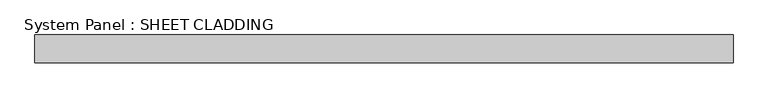
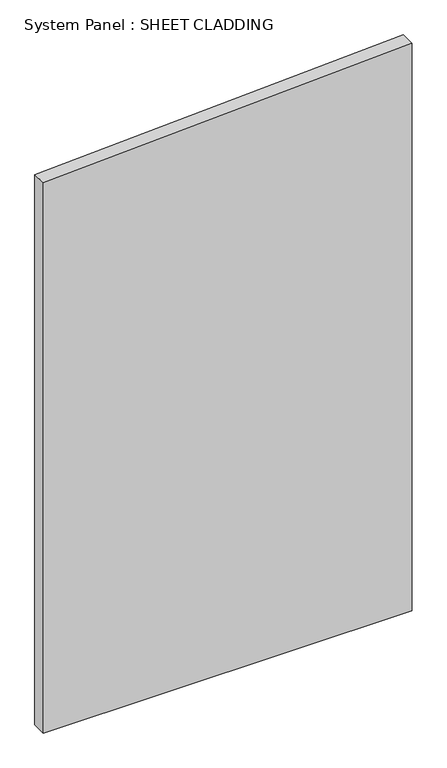
"""IFC4 building model written with IfcOpenShell, lengths in millimetres: plate geometry, System Panel : SHEET CLADDING."""

from ifc_helpers import new_model, si_unit, frame, origin, place, context, project, spatial, polyline, outline, extrude, source, transform, mapped, element, save


def system_panel_sheet_cladding_c7ddaf7f(model_context):
    return source(origin(), model_context, "Body", "SweptSolid", [
        extrude(outline(polyline([(0.0, -750.0000002), (0.0, 750.0000002), (2440.0, 750.0000002), (2365.0, -750.0000002), (0.0, -750.0000002)])), frame((0.0, -10.5, 0.0), z_axis=(0.0, 1.0, 0.0), x_axis=(0.0, 0.0, 1.0)), (0.0, 0.0, 1.0), 60.0),
    ])


if __name__ == "__main__":
    model = new_model("IFC4")
    model_context = context("Model", 3, world=origin())
    ifc_project = project(units=[si_unit("LENGTHUNIT", "METRE", prefix="MILLI")], contexts=[model_context])
    site = spatial("IfcSite", under=ifc_project)
    building = spatial("IfcBuilding", under=site)
    placement = place(None, origin())
    system_panel_sheet_cladding_shape = system_panel_sheet_cladding_c7ddaf7f(model_context)
    element("IfcPlate", 1, ObjectType="System Panel : SHEET CLADDING", at=placement, inside=building, context=model_context, shape_type="MappedRepresentation", body=[
        mapped(system_panel_sheet_cladding_shape, transform((0.0, 0.0, 0.0), x_axis=(1.0, 0.0, 0.0), y_axis=(0.0, 1.0, 0.0), z_axis=(0.0, 0.0, 1.0))),
    ])
    save(model, "model.ifc")
